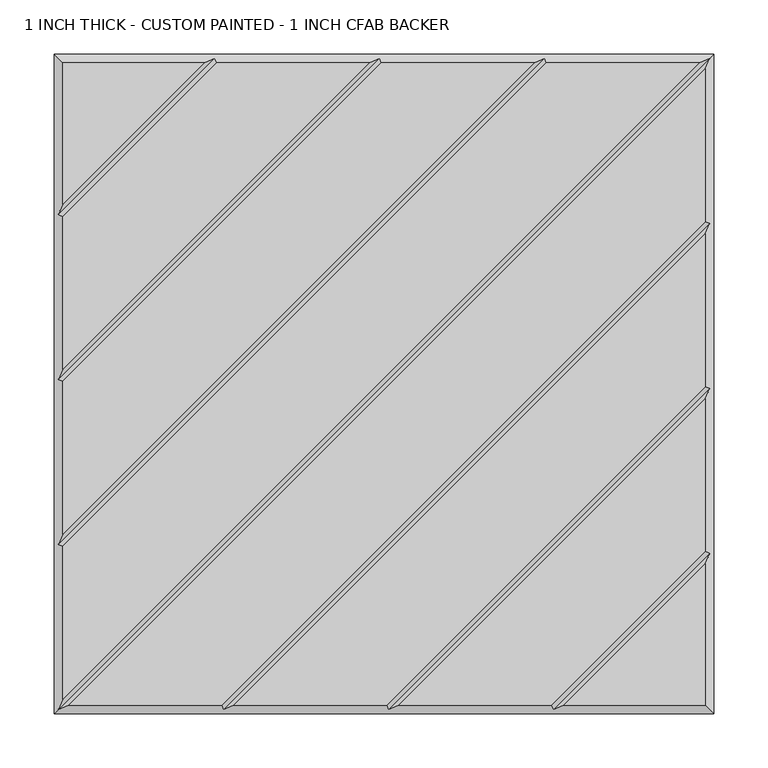
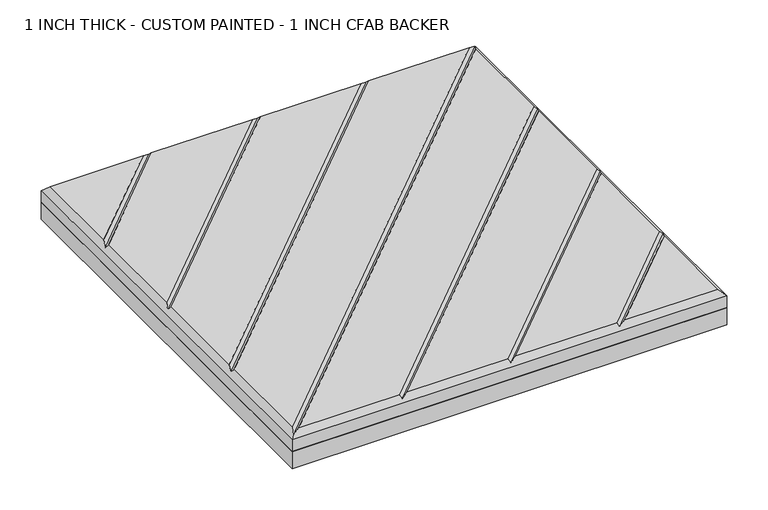
"""IFC4 building model written with IfcOpenShell, lengths in millimetres: proxy geometry, 1 INCH THICK - CUSTOM PAINTED - 1 INCH CFAB BACKER."""

import ifcopenshell
import ifcopenshell.guid

model = None  # the IFC model being written
_history = None  # IfcOwnerHistory: only IFC2X3 demands one
_inside = {}  # id of a spatial element -> (the spatial element, [elements in it])
_under = {}  # id of a project, library or spatial element -> (it, [spatial elements below it])
_declared = {}  # id of a project -> (the project, [libraries it declares])
_typed = {}  # id of a type object -> (the type object, [elements of that type])
_made_of = {}  # id of a material, layer set ... -> (it, [elements and type objects made of it])


def new_model(schema):
    """Start an empty IFC model of exactly this schema.

    Asked for "IFC4X3", IfcOpenShell would pick the latest addendum, in which some entities
    have other attributes; the version numbers below select the first issue.
    IFC2X3 requires an IfcOwnerHistory on every rooted entity: one is made here for all.
    """
    global model, _history
    if schema == "IFC4X3":
        model = ifcopenshell.file(schema_version=(4, 3, 0, 0))
    else:
        model = ifcopenshell.file(schema=schema)
    _inside.clear()
    _under.clear()
    _declared.clear()
    _typed.clear()
    _made_of.clear()
    _history = None
    if model.schema == "IFC2X3":
        org = make("IfcOrganization", Name="unknown")
        user = make(
            "IfcPersonAndOrganization",
            ThePerson=make("IfcPerson", FamilyName="unknown"),
            TheOrganization=org,
        )
        app = make(
            "IfcApplication",
            ApplicationDeveloper=org,
            Version="unknown",
            ApplicationFullName="unknown",
            ApplicationIdentifier="unknown",
        )
        _history = make(
            "IfcOwnerHistory",
            OwningUser=user,
            OwningApplication=app,
            ChangeAction="ADDED",
            CreationDate=0,
        )
    return model


def make(cls, **values):
    """One entity of the class cls with the attributes given. An attribute that is None is left unset."""
    return model.create_entity(
        cls, **{name: value for name, value in values.items() if value is not None}
    )


def rooted(cls, **values):
    """An entity with a GlobalId (a new one), such as an element, a storey or a relation."""
    return make(cls, GlobalId=ifcopenshell.guid.new(), OwnerHistory=_history, **values)


def si_unit(unit_type, name, prefix=None):
    """IfcSIUnit, for example si_unit("LENGTHUNIT", "METRE", prefix="MILLI")."""
    return make("IfcSIUnit", UnitType=unit_type, Prefix=prefix, Name=name)


def assignment(units):
    """IfcUnitAssignment: the units of a project."""
    return None if units is None else make("IfcUnitAssignment", Units=units)


def point(xyz):
    """IfcCartesianPoint."""
    return None if xyz is None else make("IfcCartesianPoint", Coordinates=xyz)


def direction(xyz):
    """IfcDirection."""
    return None if xyz is None else make("IfcDirection", DirectionRatios=xyz)


def frame(location, z_axis=None, x_axis=None):
    """IfcAxis2Placement3D, a coordinate frame: its origin and axes. An axis left out is left unset."""
    return make(
        "IfcAxis2Placement3D",
        Location=point(location),
        Axis=direction(z_axis),
        RefDirection=direction(x_axis),
    )


def origin():
    """The frame at (0, 0, 0) with its axes left unset."""
    return frame((0.0, 0.0, 0.0))


def place(relative_to, where):
    """IfcLocalPlacement: puts the frame where relative to a parent placement (None: the world)."""
    return make(
        "IfcLocalPlacement", PlacementRelTo=relative_to, RelativePlacement=where
    )


def context(
    kind, dimensions, precision=None, world=None, true_north=None, identifier=None
):
    """IfcGeometricRepresentationContext, for example the 3D "Model" context."""
    return make(
        "IfcGeometricRepresentationContext",
        ContextIdentifier=identifier,
        ContextType=kind,
        CoordinateSpaceDimension=dimensions,
        Precision=precision,
        WorldCoordinateSystem=world,
        TrueNorth=true_north,
    )


def project(units=None, contexts=None):
    """IfcProject with its units and contexts."""
    return rooted(
        "IfcProject",
        Name="project",
        RepresentationContexts=contexts,
        UnitsInContext=assignment(units),
    )


def spatial(cls, under=None, at=None, **own):
    """A site, building, storey or space (cls), placed at a placement, below another one or the project."""
    s = rooted(cls, ObjectPlacement=at, **own)
    if under is not None:
        _under.setdefault(under.id(), (under, []))[1].append(s)
    return s


def polyline(points):
    """IfcPolyline through the points."""
    return make("IfcPolyline", Points=[point(p) for p in points])


def outline(outer, holes=None, kind="AREA"):
    """IfcArbitraryClosedProfileDef: a profile drawn as a closed curve; with holes, ...WithVoids."""
    if holes is None:
        return make("IfcArbitraryClosedProfileDef", ProfileType=kind, OuterCurve=outer)
    return make(
        "IfcArbitraryProfileDefWithVoids",
        ProfileType=kind,
        OuterCurve=outer,
        InnerCurves=holes,
    )


def extrude(swept, where, along, depth):
    """IfcExtrudedAreaSolid: the profile swept, set in the frame where, extruded along a direction by depth."""
    return make(
        "IfcExtrudedAreaSolid",
        SweptArea=swept,
        Position=where,
        ExtrudedDirection=direction(along),
        Depth=depth,
    )


def faces_of(points, faces, orient=None, outer=None):
    """IfcFace entities. A face is a list of loops; a loop is a list of indices into points, from 0.

    orient and outer hold one flag for each loop. By default every Orientation is true, the
    first loop of a face is its IfcFaceOuterBound and the others are IfcFaceBound.
    """
    made = []
    for i, loops in enumerate(faces):
        bounds = []
        for j, loop in enumerate(loops):
            is_outer = j == 0 if outer is None else outer[i][j]
            bounds.append(
                make(
                    "IfcFaceOuterBound" if is_outer else "IfcFaceBound",
                    Bound=make("IfcPolyLoop", Polygon=[points[k] for k in loop]),
                    Orientation=True if orient is None else orient[i][j],
                )
            )
        made.append(make("IfcFace", Bounds=bounds))
    return made


def faceted_brep(points, faces, orient=None, outer=None, voids=None):
    """IfcFacetedBrep: a solid bounded by flat faces; with voids (closed shells), ...WithVoids."""
    shared = [point(p) for p in points]
    hull = make("IfcClosedShell", CfsFaces=faces_of(shared, faces, orient, outer))
    if voids is None:
        return make("IfcFacetedBrep", Outer=hull)
    return make(
        "IfcFacetedBrepWithVoids",
        Outer=hull,
        Voids=[
            make(cls, CfsFaces=faces_of(shared, fs, o, b)) for cls, fs, o, b in voids
        ],
    )


def shape(context_of_items, identifier, shape_type, items):
    """IfcShapeRepresentation: the items that make up one representation, for example the "Body"."""
    return make(
        "IfcShapeRepresentation",
        ContextOfItems=context_of_items,
        RepresentationIdentifier=identifier,
        RepresentationType=shape_type,
        Items=items,
    )


def source(mapping_origin, context_of_items, identifier, shape_type, items):
    """IfcRepresentationMap: a shape defined once, which mapped items show again and again."""
    return make(
        "IfcRepresentationMap",
        MappingOrigin=mapping_origin,
        MappedRepresentation=shape(context_of_items, identifier, shape_type, items),
    )


def transform(
    local_origin,
    x_axis=None,
    y_axis=None,
    z_axis=None,
    scale=None,
    scale2=None,
    scale3=None,
    uniform=True,
):
    """IfcCartesianTransformationOperator3D, or its non-uniform kind. x_axis, y_axis, z_axis: its Axis1, 2, 3."""
    if uniform:
        return make(
            "IfcCartesianTransformationOperator3D",
            Axis1=direction(x_axis),
            Axis2=direction(y_axis),
            LocalOrigin=point(local_origin),
            Scale=scale,
            Axis3=direction(z_axis),
        )
    return make(
        "IfcCartesianTransformationOperator3DnonUniform",
        Axis1=direction(x_axis),
        Axis2=direction(y_axis),
        LocalOrigin=point(local_origin),
        Scale=scale,
        Axis3=direction(z_axis),
        Scale2=scale2,
        Scale3=scale3,
    )


def mapped(mapping_source, mapping_target):
    """IfcMappedItem: shows the shape of a source again, moved by a transform."""
    return make(
        "IfcMappedItem", MappingSource=mapping_source, MappingTarget=mapping_target
    )


def made_of(thing, what):
    """Note that an element or type object is made of a material, layer set ...; save() writes the relation."""
    if what is not None:
        _made_of.setdefault(what.id(), (what, []))[1].append(thing)
    return thing


def element(
    cls,
    number,
    at=None,
    inside=None,
    cuts=None,
    type_object=None,
    material=None,
    context=None,
    identifier="Body",
    shape_type=None,
    held_by="IfcProductDefinitionShape",
    body=None,
    shapes=None,
    **own,
):
    """One element of the class cls, such as IfcWall. Its Tag is "e" and its number.

    at: its placement. inside: the storey or other place that contains it. cuts: it is an
    opening in that element (IfcRelVoidsElement). A single representation is given by context,
    identifier, shape_type and body (its items); several are given by shapes. held_by: the class
    of the entity that holds the representations. save() writes the other relations.
    """
    e = rooted(cls, Tag="e%d" % number, ObjectPlacement=at, **own)
    if body is not None:
        shapes = [shape(context, identifier, shape_type, body)]
    if shapes is not None:
        e.Representation = make(held_by, Representations=shapes)
    if inside is not None:
        _inside.setdefault(inside.id(), (inside, []))[1].append(e)
    if cuts is not None:
        rooted(
            "IfcRelVoidsElement", RelatingBuildingElement=cuts, RelatedOpeningElement=e
        )
    if type_object is not None:
        _typed.setdefault(type_object.id(), (type_object, []))[1].append(e)
    return made_of(e, material)


def aggregate(whole, parts):
    """IfcRelAggregates: a whole, such as a stair, and the parts it consists of."""
    return rooted("IfcRelAggregates", RelatingObject=whole, RelatedObjects=parts)


def save(model, path):
    """Write the relations noted so far, then the file.

    IfcRelAggregates (storeys below a building ...), IfcRelContainedInSpatialStructure (elements
    in a storey), IfcRelDefinesByType, IfcRelAssociatesMaterial and IfcRelDeclares: one each for
    every whole, place, type object, material and project.
    """
    for whole, parts in _under.values():
        aggregate(whole, parts)
    for where, things in _inside.values():
        rooted(
            "IfcRelContainedInSpatialStructure",
            RelatedElements=things,
            RelatingStructure=where,
        )
    for kind, things in _typed.values():
        rooted("IfcRelDefinesByType", RelatedObjects=things, RelatingType=kind)
    for what, things in _made_of.values():
        rooted("IfcRelAssociatesMaterial", RelatedObjects=things, RelatingMaterial=what)
    for by, libraries in _declared.values():
        rooted("IfcRelDeclares", RelatingContext=by, RelatedDefinitions=libraries)
    model.write(path)


def proxy_1_inch_thick_custom_painted_1_inch_cfab_backer_63b276c4(model_context):
    return source(origin(), model_context, "Body", "SolidModel", [
        extrude(outline(polyline([(-304.8, 304.8), (304.8, 304.8), (304.8, -304.8), (-304.8, -304.8), (-304.8, 304.8)])), frame((0.0, 0.0, -25.4), z_axis=(0.0, 0.0, 1.0), x_axis=(1.0, 0.0, 0.0)), (0.0, 0.0, 1.0), 25.4),
        faceted_brep([(-296.799, -291.1414894, 25.4), (291.1414894, 296.799, 25.4), (150.0566376, 296.799, 25.4), (-296.799, -150.0566376, 25.4), (296.799, 291.1413878, 25.4), (-291.1413878, -296.799, 25.4), (-150.056536, -296.799, 25.4), (296.799, 150.056536, 25.4), (296.799, 138.7414132, 25.4), (-138.7414132, -296.799, 25.4), (2.343464, -296.799, 25.4), (296.799, -2.343464, 25.4), (296.799, -13.6585868, 25.4), (13.6585868, -296.799, 25.4), (154.743464, -296.799, 25.4), (296.799, -154.743464, 25.4), (-296.799, -138.7415148, 25.4), (138.7415148, 296.799, 25.4), (-2.3433624, 296.799, 25.4), (-296.799, 2.3433624, 25.4), (-296.799, 13.6584852, 25.4), (-13.6584852, 296.799, 25.4), (-154.7433624, 296.799, 25.4), (-296.799, 154.7433624, 25.4), (166.0585868, -296.799, 25.4), (296.799, -296.799, 25.4), (296.799, -166.0585868, 25.4), (-166.0584852, 296.799, 25.4), (-296.799, 296.799, 25.4), (-296.799, 166.0584852, 25.4), (-304.8, 304.8, 0.0), (304.8, 304.8, 0.0), (304.8, -304.8, 0.0), (-304.8, -304.8, 0.0), (-304.8, -304.8, 17.399), (-304.8, 304.8, 17.399), (304.8, -304.8, 17.399), (304.8, 304.8, 17.399), (-156.4004238, 300.7995, 21.3995), (-4.0004238, 300.7995, 21.3995), (148.3995762, 300.7995, 21.3995), (300.7994641, 300.7994641, 21.3995359), (-300.7994641, -300.7994641, 21.3995359), (-300.7995, -148.3995762, 21.3995), (-300.7995, 4.0004238, 21.3995), (-300.7995, 156.4004238, 21.3995), (156.4005254, -300.7995, 21.3995), (4.0005254, -300.7995, 21.3995), (-148.3994746, -300.7995, 21.3995), (300.7995, 148.3994746, 21.3995), (300.7995, -4.0005254, 21.3995), (300.7995, -156.4005254, 21.3995)], [[[0, 1, 2, 3]], [[4, 5, 6, 7]], [[8, 9, 10, 11]], [[12, 13, 14, 15]], [[16, 17, 18, 19]], [[20, 21, 22, 23]], [[24, 25, 26]], [[27, 28, 29]], [[30, 31, 32, 33]], [[30, 33, 34, 35]], [[33, 32, 36, 34]], [[32, 31, 37, 36]], [[31, 30, 35, 37]], [[35, 28, 27, 38, 22, 21, 39, 18, 17, 40, 2, 1, 41, 37]], [[28, 35, 34, 42, 0, 3, 43, 16, 19, 44, 20, 23, 45, 29]], [[36, 25, 24, 46, 14, 13, 47, 10, 9, 48, 6, 5, 42, 34]], [[25, 36, 37, 41, 4, 7, 49, 8, 11, 50, 12, 15, 51, 26]], [[42, 41, 1, 0]], [[41, 42, 5, 4]], [[48, 49, 7, 6]], [[49, 48, 9, 8]], [[47, 50, 11, 10]], [[50, 47, 13, 12]], [[46, 51, 15, 14]], [[51, 46, 24, 26]], [[40, 43, 3, 2]], [[43, 40, 17, 16]], [[39, 44, 19, 18]], [[44, 39, 21, 20]], [[38, 45, 23, 22]], [[45, 38, 27, 29]]]),
    ])


if __name__ == "__main__":
    model = new_model("IFC4")
    model_context = context("Model", 3, world=origin())
    ifc_project = project(units=[si_unit("LENGTHUNIT", "METRE", prefix="MILLI")], contexts=[model_context])
    site = spatial("IfcSite", under=ifc_project)
    building = spatial("IfcBuilding", under=site)
    placement = place(None, origin())
    proxy_1_inch_thick_custom_painted_1_inch_cfab_backer_shape = proxy_1_inch_thick_custom_painted_1_inch_cfab_backer_63b276c4(model_context)
    element("IfcBuildingElementProxy", 1, Name="1 INCH THICK - CUSTOM PAINTED - 1 INCH CFAB BACKER", ObjectType="1 INCH THICK - CUSTOM PAINTED - 1 INCH CFAB BACKER", at=placement, inside=building, context=model_context, shape_type="MappedRepresentation", body=[
        mapped(proxy_1_inch_thick_custom_painted_1_inch_cfab_backer_shape, transform((0.0, 0.0, 0.0), x_axis=(1.0, 0.0, 0.0), y_axis=(0.0, 1.0, 0.0), z_axis=(0.0, 0.0, 1.0))),
    ])
    save(model, "model.ifc")
